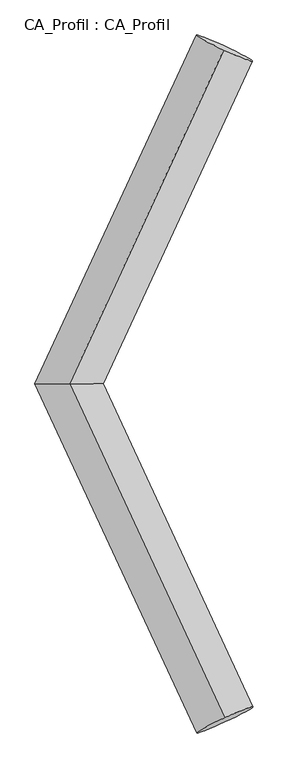
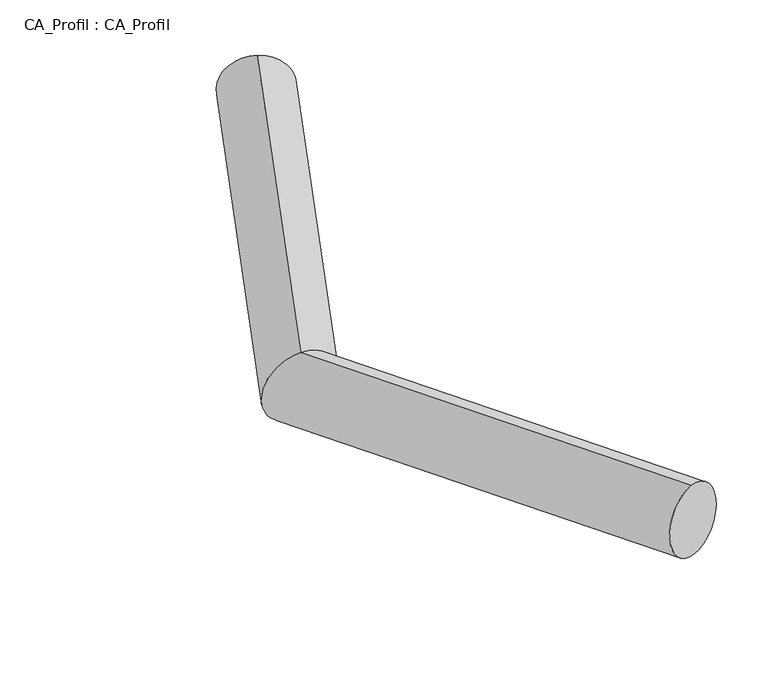
"""IFC4 building model written with IfcOpenShell, lengths in millimetres: plate geometry, CA_Profil : CA_Profil."""

from ifc_helpers import new_model, si_unit, frame, origin, place, context, project, spatial, circle_curve, ellipse_curve, source, transform, mapped, element, save
from ifc_brep_helpers import plane_surface, cylinder_surface, advanced_brep


def ca_profil_ca_profil_9d271f02(model_context):
    return source(origin(), model_context, "Body", "AdvancedBrep", [
        advanced_brep(
        [(6095.5661215, 8817.9257304, -155.0572238), (6092.1814659, 8784.6914621, 343.8255555), (4838.1069917, 6096.013693, -344.9150923), (4850.0631322, 6095.986307, 156.283922), (6099.8370334, 3372.141488, -155.1966036), (6096.4184725, 3405.3056091, 343.6906126)],
        [
            (0, 1, circle_curve(frame((6093.8737937, 8801.3085963, 94.3841659), z_axis=(0.4185476423797086, 0.9059935540429574, 0.06319454953552946), x_axis=(-0.006769311095157964, -0.06646853672808378, 0.9977655586622163)), 250.0)),
            (1, 0, circle_curve(frame((6093.8737937, 8801.3085963, 94.3841659), z_axis=(0.4185476423797086, 0.9059935540429574, 0.06319454953552946), x_axis=(-0.006769311095157964, -0.06646853672808378, 0.9977655586622163)), 250.0)),
            (0, 2),
            (2, 3, ellipse_curve(frame((4844.085062, 6096.0, -94.3155852), z_axis=(-0.0005106350574574177, 0.999999867393301, 6.682229102964418e-05), x_axis=(0.9888382156737509, 0.0004949795105358584, 0.14899240993566323)), 276.004013, 250.0)),
            (3, 1),
            (3, 2, ellipse_curve(frame((4844.085062, 6096.0, -94.3155852), z_axis=(-0.0005106350574574177, 0.999999867393301, 6.682229102964418e-05), x_axis=(0.9888382156737509, 0.0004949795105358584, 0.14899240993566323)), 276.004013, 250.0)),
            (4, 5, circle_curve(frame((6098.1277529, 3388.7235486, 94.2470045), z_axis=(0.4194726924396292, -0.9055740689456245, 0.06307349642055378), x_axis=(-0.006837121795005528, 0.06632824223379183, 0.9977744324484045)), 250.0)),
            (5, 4, circle_curve(frame((6098.1277529, 3388.7235486, 94.2470045), z_axis=(0.4194726924396292, -0.9055740689456245, 0.06307349642055378), x_axis=(-0.006837121795005528, 0.06632824223379183, 0.9977744324484045)), 250.0)),
            (2, 4),
            (5, 3),
        ],
        [
            plane_surface(frame((6093.8737937, 8818.7042438, -155.0098827), z_axis=(0.4185476423797093, 0.9059935540429571, 0.06319454953553033), x_axis=(0.9081948420126527, -0.4175331641562115, -0.029123629089026527))),
            cylinder_surface(frame((6093.8737937, 8801.3085963, 94.3841659), z_axis=(0.4185476423797086, 0.9059935540429574, 0.06319454953552946), x_axis=(-0.006769311095157964, -0.06646853672808378, 0.9977655586622163)), 250.0),
            plane_surface(frame((6098.1277529, 3371.3530586, -155.1487976), z_axis=(0.4194726924396297, -0.9055740689456244, 0.06307349642055424), x_axis=(0.9077679550950497, 0.4184589142765648, -0.02914578468716788))),
            cylinder_surface(frame((4844.085062, 6096.0, -94.3155852), z_axis=(-0.4194726924396292, 0.9055740689456245, -0.06307349642055378), x_axis=(-0.006837121795005528, 0.06632824223379183, 0.9977744324484045)), 250.0),
        ],
        [
            (0, [[1, 2]]),
            (1, [[-1, 3, 4, 5]]),
            (1, [[-2, -5, 6, -3]]),
            (2, [[7, 8]]),
            (3, [[-4, 9, -8, 10]]),
            (3, [[-6, -10, -7, -9]]),
        ],
    ),
    ])


if __name__ == "__main__":
    model = new_model("IFC4")
    model_context = context("Model", 3, world=origin())
    ifc_project = project(units=[si_unit("LENGTHUNIT", "METRE", prefix="MILLI")], contexts=[model_context])
    site = spatial("IfcSite", under=ifc_project)
    building = spatial("IfcBuilding", under=site)
    placement = place(None, origin())
    ca_profil_ca_profil_shape = ca_profil_ca_profil_9d271f02(model_context)
    element("IfcPlate", 1, ObjectType="CA_Profil : CA_Profil", at=placement, inside=building, context=model_context, shape_type="MappedRepresentation", body=[
        mapped(ca_profil_ca_profil_shape, transform((0.0, 0.0, 0.0), x_axis=(1.0, 0.0, 0.0), y_axis=(0.0, 1.0, 0.0), z_axis=(0.0, 0.0, 1.0))),
    ])
    save(model, "model.ifc")
